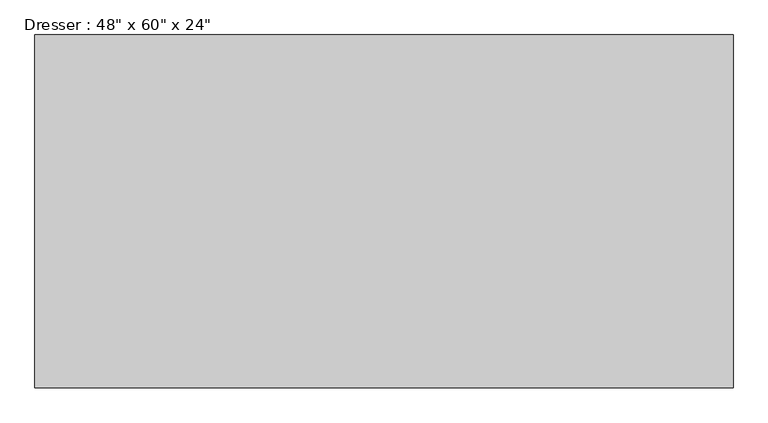
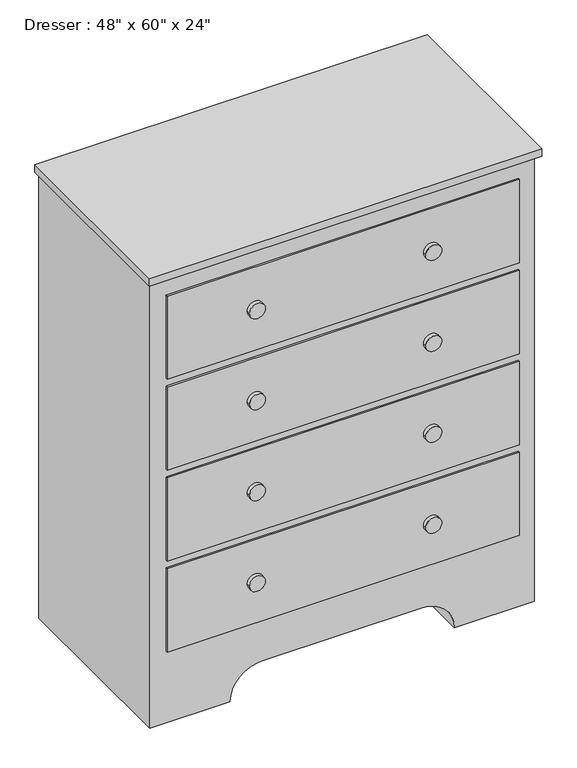
"""IFC4 building model written with IfcOpenShell, lengths in millimetres: furniture geometry."""

from ifc_helpers import new_model, si_unit, point, frame, frame_2d, origin, place, context, project, spatial, polyline, circle_curve, trimmed, segment, composite_curve, outline, extrude, source, transform, mapped, element, save


def furniture_2babcf72(model_context):
    return source(origin(), model_context, "Body", "SweptSolid", [
        extrude(outline(polyline([(353.1067402, -58.3629541), (353.1067402, -687.0129541), (-891.4932598, -687.0129541), (-891.4932598, -58.3629541), (353.1067402, -58.3629541)])), frame((0.0, 0.0, 1498.6), z_axis=(0.0, 0.0, 1.0), x_axis=(1.0, 0.0, 0.0)), (0.0, 0.0, 1.0), 25.4),
        extrude(outline(composite_curve([segment(polyline([(0.0, 340.4067402), (1498.6, 340.4067402), (1498.6, -878.7932598), (0.0, -878.7932598), (0.0, -624.7932598)]), True, "CONTINUOUS"), segment(trimmed(circle_curve(frame_2d((0.0, -523.1932598)), 101.6), [point((0.0, -624.7932598))], [point((101.6, -523.1932598))], True, "CARTESIAN"), True, "CONTINUOUS"), segment(polyline([(101.6, -523.1932598), (101.6, -15.1932598)]), True, "CONTINUOUS"), segment(trimmed(circle_curve(frame_2d((0.0, -15.1932598)), 101.6), [point((101.6, -15.1932598))], [point((0.0, 86.4067402))], True, "CARTESIAN"), True, "CONTINUOUS"), segment(polyline([(0.0, 86.4067402), (0.0, 340.4067402)]), True, "CONTINUOUS")], self_intersect=False)), frame((0.0, -667.9629541, 0.0), z_axis=(0.0, 1.0, 0.0), x_axis=(0.0, 0.0, 1.0)), (0.0, 0.0, 1.0), 609.6),
        extrude(outline(composite_curve([segment(trimmed(circle_curve(frame_2d((1295.4, 10.2067402)), 25.4), [point((1295.4, -15.1932598))], [point((1295.4, 35.6067402))], False, "CARTESIAN"), True, "CONTINUOUS"), segment(trimmed(circle_curve(frame_2d((1295.4, 10.2067402)), 25.4), [point((1295.4, 35.6067402))], [point((1295.4, -15.1932598))], False, "CARTESIAN"), True, "CONTINUOUS")], self_intersect=False)), frame((0.0, -687.0129541, 0.0), z_axis=(0.0, 1.0, 0.0), x_axis=(0.0, 0.0, 1.0)), (0.0, 0.0, 1.0), 12.7),
        extrude(outline(composite_curve([segment(trimmed(circle_curve(frame_2d((990.6, 10.2067402)), 25.4), [point((990.6, -15.1932598))], [point((990.6, 35.6067402))], False, "CARTESIAN"), True, "CONTINUOUS"), segment(trimmed(circle_curve(frame_2d((990.6, 10.2067402)), 25.4), [point((990.6, 35.6067402))], [point((990.6, -15.1932598))], False, "CARTESIAN"), True, "CONTINUOUS")], self_intersect=False)), frame((0.0, -687.0129541, 0.0), z_axis=(0.0, 1.0, 0.0), x_axis=(0.0, 0.0, 1.0)), (0.0, 0.0, 1.0), 12.7),
        extrude(outline(composite_curve([segment(trimmed(circle_curve(frame_2d((685.8, 10.2067402)), 25.4), [point((685.8, -15.1932598))], [point((685.8, 35.6067402))], False, "CARTESIAN"), True, "CONTINUOUS"), segment(trimmed(circle_curve(frame_2d((685.8, 10.2067402)), 25.4), [point((685.8, 35.6067402))], [point((685.8, -15.1932598))], False, "CARTESIAN"), True, "CONTINUOUS")], self_intersect=False)), frame((0.0, -687.0129541, 0.0), z_axis=(0.0, 1.0, 0.0), x_axis=(0.0, 0.0, 1.0)), (0.0, 0.0, 1.0), 12.7),
        extrude(outline(composite_curve([segment(trimmed(circle_curve(frame_2d((381.0, 10.2067402)), 25.4), [point((381.0, -15.1932598))], [point((381.0, 35.6067402))], False, "CARTESIAN"), True, "CONTINUOUS"), segment(trimmed(circle_curve(frame_2d((381.0, 10.2067402)), 25.4), [point((381.0, 35.6067402))], [point((381.0, -15.1932598))], False, "CARTESIAN"), True, "CONTINUOUS")], self_intersect=False)), frame((0.0, -687.0129541, 0.0), z_axis=(0.0, 1.0, 0.0), x_axis=(0.0, 0.0, 1.0)), (0.0, 0.0, 1.0), 12.7),
        extrude(outline(composite_curve([segment(trimmed(circle_curve(frame_2d((381.0, -548.5932598)), 25.4), [point((381.0, -573.9932598))], [point((381.0, -523.1932598))], False, "CARTESIAN"), True, "CONTINUOUS"), segment(trimmed(circle_curve(frame_2d((381.0, -548.5932598)), 25.4), [point((381.0, -523.1932598))], [point((381.0, -573.9932598))], False, "CARTESIAN"), True, "CONTINUOUS")], self_intersect=False)), frame((0.0, -687.0129541, 0.0), z_axis=(0.0, 1.0, 0.0), x_axis=(0.0, 0.0, 1.0)), (0.0, 0.0, 1.0), 12.7),
        extrude(outline(composite_curve([segment(trimmed(circle_curve(frame_2d((685.8, -548.5932598)), 25.4), [point((685.8, -573.9932598))], [point((685.8, -523.1932598))], False, "CARTESIAN"), True, "CONTINUOUS"), segment(trimmed(circle_curve(frame_2d((685.8, -548.5932598)), 25.4), [point((685.8, -523.1932598))], [point((685.8, -573.9932598))], False, "CARTESIAN"), True, "CONTINUOUS")], self_intersect=False)), frame((0.0, -687.0129541, 0.0), z_axis=(0.0, 1.0, 0.0), x_axis=(0.0, 0.0, 1.0)), (0.0, 0.0, 1.0), 12.7),
        extrude(outline(composite_curve([segment(trimmed(circle_curve(frame_2d((990.6, -548.5932598)), 25.4), [point((990.6, -573.9932598))], [point((990.6, -523.1932598))], False, "CARTESIAN"), True, "CONTINUOUS"), segment(trimmed(circle_curve(frame_2d((990.6, -548.5932598)), 25.4), [point((990.6, -523.1932598))], [point((990.6, -573.9932598))], False, "CARTESIAN"), True, "CONTINUOUS")], self_intersect=False)), frame((0.0, -687.0129541, 0.0), z_axis=(0.0, 1.0, 0.0), x_axis=(0.0, 0.0, 1.0)), (0.0, 0.0, 1.0), 12.7),
        extrude(outline(composite_curve([segment(trimmed(circle_curve(frame_2d((1295.4, -548.5932598)), 25.4), [point((1295.4, -573.9932598))], [point((1295.4, -523.1932598))], False, "CARTESIAN"), True, "CONTINUOUS"), segment(trimmed(circle_curve(frame_2d((1295.4, -548.5932598)), 25.4), [point((1295.4, -523.1932598))], [point((1295.4, -573.9932598))], False, "CARTESIAN"), True, "CONTINUOUS")], self_intersect=False)), frame((0.0, -687.0129541, 0.0), z_axis=(0.0, 1.0, 0.0), x_axis=(0.0, 0.0, 1.0)), (0.0, 0.0, 1.0), 12.7),
        extrude(outline(polyline([(289.6067402, -674.3129541), (-827.9932598, -674.3129541), (-827.9932598, -667.9629541), (289.6067402, -667.9629541), (289.6067402, -674.3129541)])), frame((0.0, 0.0, 1155.7), z_axis=(0.0, 0.0, 1.0), x_axis=(1.0, 0.0, 0.0)), (0.0, 0.0, 1.0), 279.4),
        extrude(outline(polyline([(289.6067402, -674.3129541), (-827.9932598, -674.3129541), (-827.9932598, -667.9629541), (289.6067402, -667.9629541), (289.6067402, -674.3129541)])), frame((0.0, 0.0, 850.9), z_axis=(0.0, 0.0, 1.0), x_axis=(1.0, 0.0, 0.0)), (0.0, 0.0, 1.0), 279.4),
        extrude(outline(polyline([(289.6067402, -674.3129541), (-827.9932598, -674.3129541), (-827.9932598, -667.9629541), (289.6067402, -667.9629541), (289.6067402, -674.3129541)])), frame((0.0, 0.0, 546.1), z_axis=(0.0, 0.0, 1.0), x_axis=(1.0, 0.0, 0.0)), (0.0, 0.0, 1.0), 279.4),
        extrude(outline(polyline([(289.6067402, -674.3129541), (-827.9932598, -674.3129541), (-827.9932598, -667.9629541), (289.6067402, -667.9629541), (289.6067402, -674.3129541)])), frame((0.0, 0.0, 241.3), z_axis=(0.0, 0.0, 1.0), x_axis=(1.0, 0.0, 0.0)), (0.0, 0.0, 1.0), 279.4),
    ])


if __name__ == "__main__":
    model = new_model("IFC4")
    model_context = context("Model", 3, world=origin())
    ifc_project = project(units=[si_unit("LENGTHUNIT", "METRE", prefix="MILLI")], contexts=[model_context])
    site = spatial("IfcSite", under=ifc_project)
    building = spatial("IfcBuilding", under=site)
    placement = place(None, origin())
    furniture_shape = furniture_2babcf72(model_context)
    element("IfcFurniture", 1, ObjectType="Dresser : 48\" x 60\" x 24\"", at=placement, inside=building, context=model_context, shape_type="MappedRepresentation", body=[
        mapped(furniture_shape, transform((0.0, 0.0, 0.0), x_axis=(1.0, 0.0, 0.0), y_axis=(0.0, 1.0, 0.0), z_axis=(0.0, 0.0, 1.0))),
    ])
    save(model, "model.ifc")
